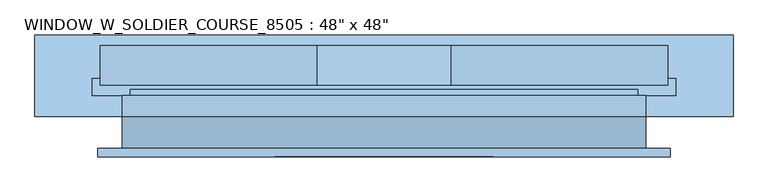
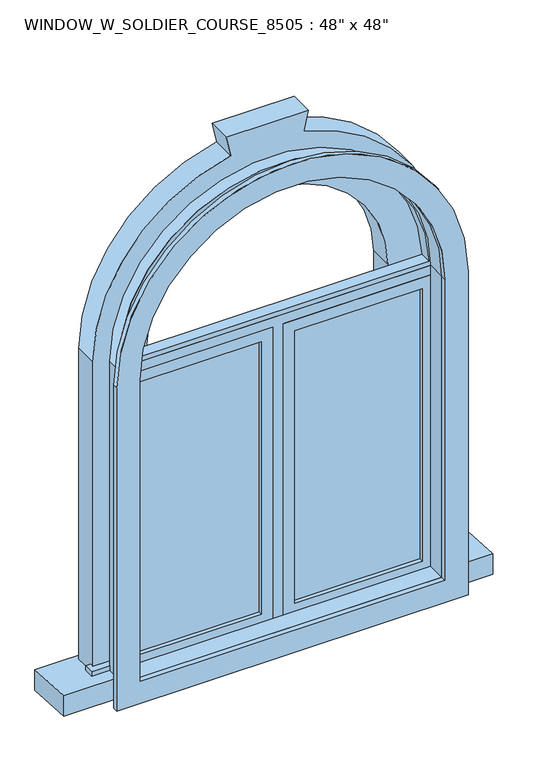
"""IFC4 building model written with IfcOpenShell, lengths in millimetres: window geometry."""

from ifc_helpers import new_model, si_unit, point, frame, frame_2d, origin, place, context, project, spatial, polyline, circle_curve, trimmed, segment, composite_curve, outline, extrude, source, transform, mapped, element, save


def window_c03ce2cc(model_context):
    return source(origin(), model_context, "Body", "SweptSolid", [
        extrude(outline(composite_curve([segment(polyline([(2152.65, -658.7478419), (857.25, -658.7478419), (857.25, 674.7521581), (2152.65, 674.7521581)]), True, "CONTINUOUS"), segment(trimmed(circle_curve(frame_2d((2152.65, 8.0021581)), 666.75), [point((2152.65, 674.7521581))], [point((2152.65, -658.7478419))], False, "CARTESIAN"), True, "CONTINUOUS")], self_intersect=False), holes=[composite_curve([segment(trimmed(circle_curve(frame_2d((2152.65, 8.0021581)), 577.85), [point((2152.65, -569.8478419))], [point((2152.65, 585.8521581))], True, "CARTESIAN"), True, "CONTINUOUS"), segment(polyline([(2152.65, 585.8521581), (946.15, 585.8521581), (946.15, -569.8478419), (2152.65, -569.8478419)]), True, "CONTINUOUS")], self_intersect=False)]), frame((0.0, -81.05, 0.0), z_axis=(0.0, 1.0, 0.0), x_axis=(0.0, 0.0, 1.0)), (0.0, 0.0, 1.0), 19.05),
        extrude(outline(composite_curve([segment(trimmed(circle_curve(frame_2d((2152.65, 8.0021581)), 590.55), [point((2152.65, 598.5521581))], [point((2152.65, -582.5478419))], False, "CARTESIAN"), True, "CONTINUOUS"), segment(polyline([(2152.65, -582.5478419), (2152.65, 598.5521581)]), True, "CONTINUOUS")], self_intersect=False), holes=[composite_curve([segment(polyline([(2171.6999995, 579.1845698), (2171.6999995, -563.1802537)]), True, "CONTINUOUS"), segment(trimmed(circle_curve(frame_2d((2152.65, 8.0021581)), 571.5), [point((2171.6999995, -563.1802537))], [point((2171.6999995, 579.1845698))], True, "CARTESIAN"), True, "CONTINUOUS")], self_intersect=False)]), frame((0.0, 12.7, 0.0), z_axis=(0.0, 1.0, 0.0), x_axis=(0.0, 0.0, 1.0)), (0.0, 0.0, 1.0), 44.45),
        extrude(outline(composite_curve([segment(polyline([(914.4, -601.5978419), (914.4, 617.6021581), (2152.65, 617.6021581)]), True, "CONTINUOUS"), segment(trimmed(circle_curve(frame_2d((2152.65, 8.0021581)), 609.6), [point((2152.65, 617.6021581))], [point((2152.65, -601.5978419))], False, "CARTESIAN"), True, "CONTINUOUS"), segment(polyline([(2152.65, -601.5978419), (914.4, -601.5978419)]), True, "CONTINUOUS")], self_intersect=False), holes=[composite_curve([segment(polyline([(933.45, -582.5478419), (2152.65, -582.5478419)]), True, "CONTINUOUS"), segment(trimmed(circle_curve(frame_2d((2152.65, 8.0021581)), 590.55), [point((2152.65, -582.5478419))], [point((2152.65, 598.5521581))], True, "CARTESIAN"), True, "CONTINUOUS"), segment(polyline([(2152.65, 598.5521581), (933.45, 598.5521581), (933.45, -582.5478419)]), True, "CONTINUOUS")], self_intersect=False)]), frame((0.0, 12.7, 0.0), z_axis=(0.0, 1.0, 0.0), x_axis=(0.0, 0.0, 1.0)), (0.0, 0.0, 1.0), 49.3),
        extrude(outline(polyline([(71.5021581, 41.275), (554.1021581, 41.275), (554.1021581, 28.575), (71.5021581, 28.575), (71.5021581, 41.275)])), frame((0.0, 0.0, 977.9), z_axis=(0.0, 0.0, 1.0), x_axis=(1.0, 0.0, 0.0)), (0.0, 0.0, 1.0), 1092.2),
        extrude(outline(polyline([(2114.55, 27.0521581), (933.45, 27.0521581), (933.45, 598.5521581), (2114.55, 598.5521581), (2114.55, 27.0521581)]), holes=[polyline([(2070.1, 71.5021581), (2070.1, 554.1021581), (977.9, 554.1021581), (977.9, 71.5021581), (2070.1, 71.5021581)])]), frame((0.0, 12.7, 0.0), z_axis=(0.0, 1.0, 0.0), x_axis=(0.0, 0.0, 1.0)), (0.0, 0.0, 1.0), 44.45),
        extrude(outline(polyline([(933.45, -11.0478419), (933.45, 27.0521581), (2114.55, 27.0521581), (2114.55, 598.5521581), (2152.65, 598.5521581), (2152.65, -582.5478419), (2114.55, -582.5478419), (2114.55, -11.0478419), (933.45, -11.0478419)])), frame((0.0, 12.7, 0.0), z_axis=(0.0, 1.0, 0.0), x_axis=(0.0, 0.0, 1.0)), (0.0, 0.0, 1.0), 63.5),
        extrude(outline(polyline([(-671.4478419, 101.6), (687.4521581, 101.6), (687.4521581, 62.0), (-671.4478419, 62.0), (-671.4478419, 101.6)])), frame((0.0, 0.0, 914.4), z_axis=(0.0, 0.0, 1.0), x_axis=(1.0, 0.0, 0.0)), (0.0, 0.0, 1.0), 19.05),
        extrude(outline(polyline([(-55.4978419, 28.575), (-538.0978419, 28.575), (-538.0978419, 41.275), (-55.4978419, 41.275), (-55.4978419, 28.575)])), frame((0.0, 0.0, 977.9), z_axis=(0.0, 0.0, 1.0), x_axis=(1.0, 0.0, 0.0)), (0.0, 0.0, 1.0), 1092.2),
        extrude(outline(polyline([(2114.55, -582.5478419), (933.45, -582.5478419), (933.45, -11.0478419), (2114.55, -11.0478419), (2114.55, -582.5478419)]), holes=[polyline([(2070.1, -538.0978419), (2070.1, -55.4978419), (977.9, -55.4978419), (977.9, -538.0978419), (2070.1, -538.0978419)])]), frame((0.0, 12.7, 0.0), z_axis=(0.0, 1.0, 0.0), x_axis=(0.0, 0.0, 1.0)), (0.0, 0.0, 1.0), 44.45),
        extrude(outline(composite_curve([segment(polyline([(914.4, 617.6021581), (2152.65, 617.6021581)]), True, "CONTINUOUS"), segment(trimmed(circle_curve(frame_2d((2152.65, 8.0021581)), 609.6), [point((2152.65, 617.6021581))], [point((2152.65, -601.5978419))], False, "CARTESIAN"), True, "CONTINUOUS"), segment(polyline([(2152.65, -601.5978419), (914.4, -601.5978419), (914.4, 617.6021581)]), True, "CONTINUOUS")], self_intersect=False), holes=[composite_curve([segment(polyline([(946.15, 585.8521581), (946.15, -569.8478419), (2152.65, -569.8478419)]), True, "CONTINUOUS"), segment(trimmed(circle_curve(frame_2d((2152.65, 8.0021581)), 577.85), [point((2152.65, -569.8478419))], [point((2152.65, 585.8521581))], True, "CARTESIAN"), True, "CONTINUOUS"), segment(polyline([(2152.65, 585.8521581), (946.15, 585.8521581)]), True, "CONTINUOUS")], self_intersect=False)]), frame((0.0, -62.0, 0.0), z_axis=(0.0, 1.0, 0.0), x_axis=(0.0, 0.0, 1.0)), (0.0, 0.0, 1.0), 74.7),
        extrude(outline(polyline([(12.7, 913.0688424), (203.2, 903.0851605), (203.2, 820.5351605), (12.7, 830.5188424), (12.7, 913.0688424)])), frame((-804.7978419, 0.0, 0.0), z_axis=(1.0, 0.0, 0.0), x_axis=(0.0, 1.0, 0.0)), (0.0, 0.0, 1.0), 1625.6),
        extrude(outline(composite_curve([segment(polyline([(904.7491074, 465.2021581), (904.7491074, 668.4021581), (2152.65, 668.4021581)]), True, "CONTINUOUS"), segment(trimmed(circle_curve(frame_2d((2152.65, 8.0021581)), 660.4), [point((2152.65, 668.4021581))], [point((2798.3681062, 146.4806306))], False, "CARTESIAN"), True, "CONTINUOUS"), segment(polyline([(2798.3681062, 146.4806306), (2878.2880453, 163.6199844), (2878.2880453, -147.6156682), (2798.3681062, -130.4763144)]), True, "CONTINUOUS"), segment(trimmed(circle_curve(frame_2d((2152.65, 8.0021581)), 660.4), [point((2798.3681062, -130.4763144))], [point((2152.65, -652.3978419))], False, "CARTESIAN"), True, "CONTINUOUS"), segment(polyline([(2152.65, -652.3978419), (903.0851605, -652.3978419), (903.0851605, -449.1978419), (2152.65, -449.1978419)]), True, "CONTINUOUS"), segment(trimmed(circle_curve(frame_2d((2152.65, 8.0021581)), 457.2), [point((2152.65, -449.1978419))], [point((2152.65, 465.2021581))], True, "CARTESIAN"), True, "CONTINUOUS"), segment(polyline([(2152.65, 465.2021581), (904.7491074, 465.2021581)]), True, "CONTINUOUS")], self_intersect=False)), frame((0.0, 85.725, 0.0), z_axis=(0.0, 1.0, 0.0), x_axis=(0.0, 0.0, 1.0)), (0.0, 0.0, 1.0), 92.075),
    ])


if __name__ == "__main__":
    model = new_model("IFC4")
    model_context = context("Model", 3, world=origin())
    ifc_project = project(units=[si_unit("LENGTHUNIT", "METRE", prefix="MILLI")], contexts=[model_context])
    site = spatial("IfcSite", under=ifc_project)
    building = spatial("IfcBuilding", under=site)
    placement = place(None, origin())
    window_shape = window_c03ce2cc(model_context)
    element("IfcWindow", 1, ObjectType="WINDOW_W_SOLDIER_COURSE_8505 : 48\" x 48\"", at=placement, inside=building, context=model_context, shape_type="MappedRepresentation", body=[
        mapped(window_shape, transform((0.0, 0.0, 0.0), x_axis=(1.0, 0.0, 0.0), y_axis=(0.0, 1.0, 0.0), z_axis=(0.0, 0.0, 1.0))),
    ])
    save(model, "model.ifc")
